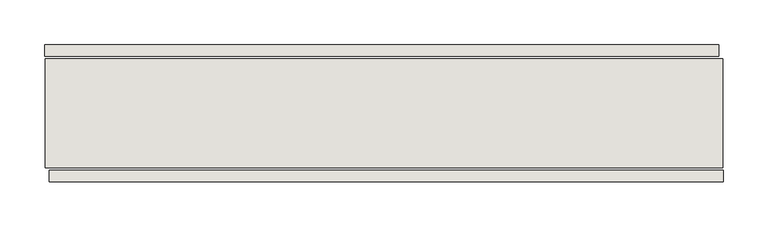
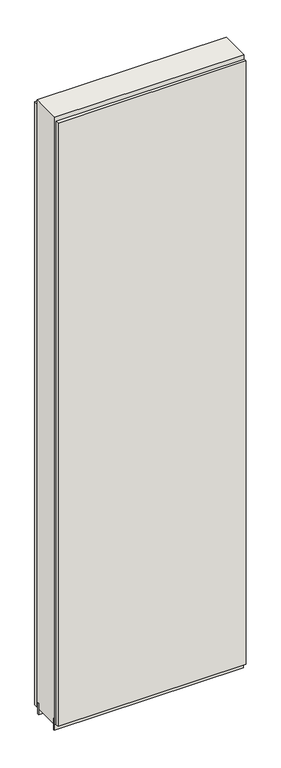
"""IFC4 building model written with IfcOpenShell, lengths in millimetres: wall geometry."""

from ifc_helpers import new_model, si_unit, frame, origin, place, context, project, spatial, polyline, outline, extrude, source, transform, mapped, element, save


def wall_7e39b36b(model_context):
    return source(origin(), model_context, "Body", "SweptSolid", [
        extrude(outline(polyline([(56122.6096748, -39389.1845692), (56125.1496748, -39389.1845692), (56125.1496748, -39391.7245692), (56122.6096748, -39391.7245692), (56122.6096748, -39389.1845692)])), frame((0.0, 0.0, 4419.6), z_axis=(0.0, 0.0, 1.0), x_axis=(1.0, 0.0, 0.0)), (0.0, 0.0, 1.0), 2.54),
        extrude(outline(polyline([(56125.6160696, -39466.6545692), (55374.2075648, -39466.6545692), (55374.2075648, -39453.9545692), (56125.6160696, -39453.9545692), (56125.6160696, -39466.6545692)])), frame((0.0, 0.0, 4445.0), z_axis=(0.0, 0.0, 1.0), x_axis=(1.0, 0.0, 0.0)), (0.0, 0.0, 1.0), 2545.0498756),
        extrude(outline(polyline([(55369.277628, -39314.2545692), (56120.6861328, -39314.2545692), (56120.6861328, -39326.9545692), (55369.277628, -39326.9545692), (55369.277628, -39314.2545692)])), frame((0.0, 0.0, 4445.0), z_axis=(0.0, 0.0, 1.0), x_axis=(1.0, 0.0, 0.0)), (0.0, 0.0, 1.0), 2545.0498756),
        extrude(outline(polyline([(55369.7365806, -39442.1351364), (56125.16334, -39442.1351364), (56125.16334, -39447.2169906), (55369.7365806, -39447.2169906), (55369.7365806, -39442.1351364)])), frame((0.0, 0.0, 4418.6602), z_axis=(0.0, 0.0, 1.0), x_axis=(1.0, 0.0, 0.0)), (0.0, 0.0, 1.0), 47.625),
        extrude(outline(polyline([(55369.7365806, -39442.1351364), (56125.16334, -39442.1351364), (56125.16334, -39447.2169906), (55369.7365806, -39447.2169906), (55369.7365806, -39442.1351364)])), frame((0.0, 0.0, 4418.6602), z_axis=(0.0, 0.0, 1.0), x_axis=(1.0, 0.0, 0.0)), (0.0, 0.0, 1.0), 47.625),
        extrude(outline(polyline([(56125.16334, -39338.758508), (55369.7365806, -39338.758508), (55369.7365806, -39333.6766284), (56125.16334, -39333.6766284), (56125.16334, -39338.758508)])), frame((0.0, 0.0, 4418.6602), z_axis=(0.0, 0.0, 1.0), x_axis=(1.0, 0.0, 0.0)), (0.0, 0.0, 1.0), 47.625),
        extrude(outline(polyline([(56125.16334, -39338.758508), (55369.7365806, -39338.758508), (55369.7365806, -39333.6766284), (56125.16334, -39333.6766284), (56125.16334, -39338.758508)])), frame((0.0, 0.0, 4418.6602), z_axis=(0.0, 0.0, 1.0), x_axis=(1.0, 0.0, 0.0)), (0.0, 0.0, 1.0), 47.625),
        extrude(outline(polyline([(55369.7365806, -39451.4058824), (55369.7365806, -39329.4877366), (56125.16334, -39329.4877366), (56125.16334, -39451.4058824), (55369.7365806, -39451.4058824)])), frame((0.0, 0.0, 4445.0), z_axis=(0.0, 0.0, 1.0), x_axis=(1.0, 0.0, 0.0)), (0.0, 0.0, 1.0), 2562.4536762),
    ])


if __name__ == "__main__":
    model = new_model("IFC4")
    model_context = context("Model", 3, world=origin())
    ifc_project = project(units=[si_unit("LENGTHUNIT", "METRE", prefix="MILLI")], contexts=[model_context])
    site = spatial("IfcSite", under=ifc_project)
    building = spatial("IfcBuilding", under=site)
    placement = place(None, origin())
    wall_shape = wall_7e39b36b(model_context)
    element("IfcWall", 1, at=placement, inside=building, context=model_context, shape_type="MappedRepresentation", body=[
        mapped(wall_shape, transform((0.0, 0.0, 0.0), x_axis=(1.0, 0.0, 0.0), y_axis=(0.0, 1.0, 0.0), z_axis=(0.0, 0.0, 1.0))),
    ])
    save(model, "model.ifc")
